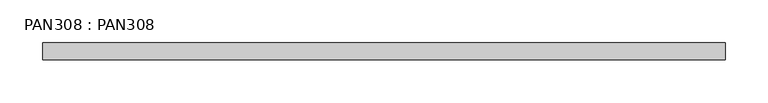
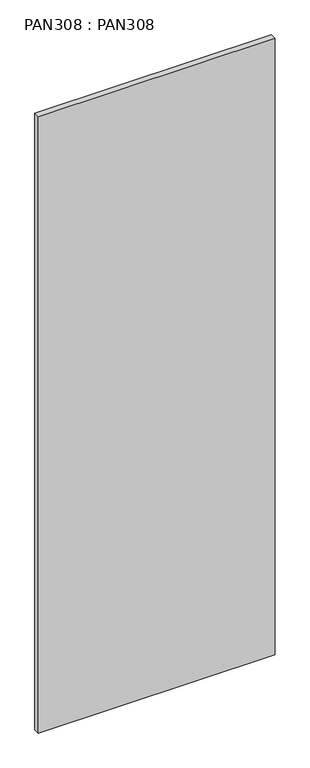
"""IFC4 building model written with IfcOpenShell, lengths in millimetres: proxy geometry, PAN308 : PAN308."""

from ifc_helpers import new_model, si_unit, origin, origin_with_axes, place, context, project, spatial, polyline, outline, extrude, source, transform, mapped, element, save


def pan308_pan308_24a2bf43(model_context):
    return source(origin(), model_context, "Body", "SweptSolid", [
        extrude(outline(polyline([(800.0000061, 0.0), (800.0000061, -20.0000011), (0.0, -20.0000011), (0.0, 0.0), (800.0000061, 0.0)])), origin_with_axes(), (0.0, 0.0, 1.0), 2200.0000168),
    ])


if __name__ == "__main__":
    model = new_model("IFC4")
    model_context = context("Model", 3, world=origin())
    ifc_project = project(units=[si_unit("LENGTHUNIT", "METRE", prefix="MILLI")], contexts=[model_context])
    site = spatial("IfcSite", under=ifc_project)
    building = spatial("IfcBuilding", under=site)
    placement = place(None, origin())
    pan308_pan308_shape = pan308_pan308_24a2bf43(model_context)
    element("IfcBuildingElementProxy", 1, Name="PAN308 : PAN308", ObjectType="PAN308 : PAN308", at=placement, inside=building, context=model_context, shape_type="MappedRepresentation", body=[
        mapped(pan308_pan308_shape, transform((0.0, 0.0, 0.0), x_axis=(1.0, 0.0, 0.0), y_axis=(0.0, 1.0, 0.0), z_axis=(0.0, 0.0, 1.0))),
    ])
    save(model, "model.ifc")
